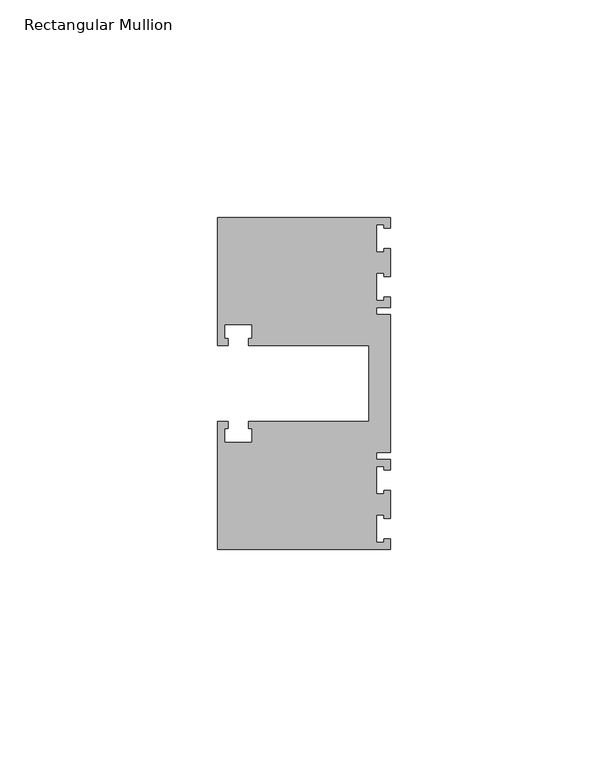
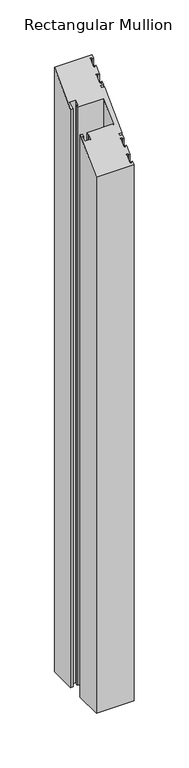
"""IFC4 building model written with IfcOpenShell, lengths in millimetres: member geometry, Rectangular Mullion."""

import ifcopenshell
import ifcopenshell.guid

model = None  # the IFC model being written
_history = None  # IfcOwnerHistory: only IFC2X3 demands one
_inside = {}  # id of a spatial element -> (the spatial element, [elements in it])
_under = {}  # id of a project, library or spatial element -> (it, [spatial elements below it])
_declared = {}  # id of a project -> (the project, [libraries it declares])
_typed = {}  # id of a type object -> (the type object, [elements of that type])
_made_of = {}  # id of a material, layer set ... -> (it, [elements and type objects made of it])


def new_model(schema):
    """Start an empty IFC model of exactly this schema.

    Asked for "IFC4X3", IfcOpenShell would pick the latest addendum, in which some entities
    have other attributes; the version numbers below select the first issue.
    IFC2X3 requires an IfcOwnerHistory on every rooted entity: one is made here for all.
    """
    global model, _history
    if schema == "IFC4X3":
        model = ifcopenshell.file(schema_version=(4, 3, 0, 0))
    else:
        model = ifcopenshell.file(schema=schema)
    _inside.clear()
    _under.clear()
    _declared.clear()
    _typed.clear()
    _made_of.clear()
    _history = None
    if model.schema == "IFC2X3":
        org = make("IfcOrganization", Name="unknown")
        user = make(
            "IfcPersonAndOrganization",
            ThePerson=make("IfcPerson", FamilyName="unknown"),
            TheOrganization=org,
        )
        app = make(
            "IfcApplication",
            ApplicationDeveloper=org,
            Version="unknown",
            ApplicationFullName="unknown",
            ApplicationIdentifier="unknown",
        )
        _history = make(
            "IfcOwnerHistory",
            OwningUser=user,
            OwningApplication=app,
            ChangeAction="ADDED",
            CreationDate=0,
        )
    return model


def make(cls, **values):
    """One entity of the class cls with the attributes given. An attribute that is None is left unset."""
    return model.create_entity(
        cls, **{name: value for name, value in values.items() if value is not None}
    )


def rooted(cls, **values):
    """An entity with a GlobalId (a new one), such as an element, a storey or a relation."""
    return make(cls, GlobalId=ifcopenshell.guid.new(), OwnerHistory=_history, **values)


def si_unit(unit_type, name, prefix=None):
    """IfcSIUnit, for example si_unit("LENGTHUNIT", "METRE", prefix="MILLI")."""
    return make("IfcSIUnit", UnitType=unit_type, Prefix=prefix, Name=name)


def assignment(units):
    """IfcUnitAssignment: the units of a project."""
    return None if units is None else make("IfcUnitAssignment", Units=units)


def point(xyz):
    """IfcCartesianPoint."""
    return None if xyz is None else make("IfcCartesianPoint", Coordinates=xyz)


def direction(xyz):
    """IfcDirection."""
    return None if xyz is None else make("IfcDirection", DirectionRatios=xyz)


def frame(location, z_axis=None, x_axis=None):
    """IfcAxis2Placement3D, a coordinate frame: its origin and axes. An axis left out is left unset."""
    return make(
        "IfcAxis2Placement3D",
        Location=point(location),
        Axis=direction(z_axis),
        RefDirection=direction(x_axis),
    )


def origin():
    """The frame at (0, 0, 0) with its axes left unset."""
    return frame((0.0, 0.0, 0.0))


def place(relative_to, where):
    """IfcLocalPlacement: puts the frame where relative to a parent placement (None: the world)."""
    return make(
        "IfcLocalPlacement", PlacementRelTo=relative_to, RelativePlacement=where
    )


def context(
    kind, dimensions, precision=None, world=None, true_north=None, identifier=None
):
    """IfcGeometricRepresentationContext, for example the 3D "Model" context."""
    return make(
        "IfcGeometricRepresentationContext",
        ContextIdentifier=identifier,
        ContextType=kind,
        CoordinateSpaceDimension=dimensions,
        Precision=precision,
        WorldCoordinateSystem=world,
        TrueNorth=true_north,
    )


def project(units=None, contexts=None):
    """IfcProject with its units and contexts."""
    return rooted(
        "IfcProject",
        Name="project",
        RepresentationContexts=contexts,
        UnitsInContext=assignment(units),
    )


def spatial(cls, under=None, at=None, **own):
    """A site, building, storey or space (cls), placed at a placement, below another one or the project."""
    s = rooted(cls, ObjectPlacement=at, **own)
    if under is not None:
        _under.setdefault(under.id(), (under, []))[1].append(s)
    return s


def faces_of(points, faces, orient=None, outer=None):
    """IfcFace entities. A face is a list of loops; a loop is a list of indices into points, from 0.

    orient and outer hold one flag for each loop. By default every Orientation is true, the
    first loop of a face is its IfcFaceOuterBound and the others are IfcFaceBound.
    """
    made = []
    for i, loops in enumerate(faces):
        bounds = []
        for j, loop in enumerate(loops):
            is_outer = j == 0 if outer is None else outer[i][j]
            bounds.append(
                make(
                    "IfcFaceOuterBound" if is_outer else "IfcFaceBound",
                    Bound=make("IfcPolyLoop", Polygon=[points[k] for k in loop]),
                    Orientation=True if orient is None else orient[i][j],
                )
            )
        made.append(make("IfcFace", Bounds=bounds))
    return made


def faceted_brep(points, faces, orient=None, outer=None, voids=None):
    """IfcFacetedBrep: a solid bounded by flat faces; with voids (closed shells), ...WithVoids."""
    shared = [point(p) for p in points]
    hull = make("IfcClosedShell", CfsFaces=faces_of(shared, faces, orient, outer))
    if voids is None:
        return make("IfcFacetedBrep", Outer=hull)
    return make(
        "IfcFacetedBrepWithVoids",
        Outer=hull,
        Voids=[
            make(cls, CfsFaces=faces_of(shared, fs, o, b)) for cls, fs, o, b in voids
        ],
    )


def shape(context_of_items, identifier, shape_type, items):
    """IfcShapeRepresentation: the items that make up one representation, for example the "Body"."""
    return make(
        "IfcShapeRepresentation",
        ContextOfItems=context_of_items,
        RepresentationIdentifier=identifier,
        RepresentationType=shape_type,
        Items=items,
    )


def source(mapping_origin, context_of_items, identifier, shape_type, items):
    """IfcRepresentationMap: a shape defined once, which mapped items show again and again."""
    return make(
        "IfcRepresentationMap",
        MappingOrigin=mapping_origin,
        MappedRepresentation=shape(context_of_items, identifier, shape_type, items),
    )


def transform(
    local_origin,
    x_axis=None,
    y_axis=None,
    z_axis=None,
    scale=None,
    scale2=None,
    scale3=None,
    uniform=True,
):
    """IfcCartesianTransformationOperator3D, or its non-uniform kind. x_axis, y_axis, z_axis: its Axis1, 2, 3."""
    if uniform:
        return make(
            "IfcCartesianTransformationOperator3D",
            Axis1=direction(x_axis),
            Axis2=direction(y_axis),
            LocalOrigin=point(local_origin),
            Scale=scale,
            Axis3=direction(z_axis),
        )
    return make(
        "IfcCartesianTransformationOperator3DnonUniform",
        Axis1=direction(x_axis),
        Axis2=direction(y_axis),
        LocalOrigin=point(local_origin),
        Scale=scale,
        Axis3=direction(z_axis),
        Scale2=scale2,
        Scale3=scale3,
    )


def mapped(mapping_source, mapping_target):
    """IfcMappedItem: shows the shape of a source again, moved by a transform."""
    return make(
        "IfcMappedItem", MappingSource=mapping_source, MappingTarget=mapping_target
    )


def made_of(thing, what):
    """Note that an element or type object is made of a material, layer set ...; save() writes the relation."""
    if what is not None:
        _made_of.setdefault(what.id(), (what, []))[1].append(thing)
    return thing


def element(
    cls,
    number,
    at=None,
    inside=None,
    cuts=None,
    type_object=None,
    material=None,
    context=None,
    identifier="Body",
    shape_type=None,
    held_by="IfcProductDefinitionShape",
    body=None,
    shapes=None,
    **own,
):
    """One element of the class cls, such as IfcWall. Its Tag is "e" and its number.

    at: its placement. inside: the storey or other place that contains it. cuts: it is an
    opening in that element (IfcRelVoidsElement). A single representation is given by context,
    identifier, shape_type and body (its items); several are given by shapes. held_by: the class
    of the entity that holds the representations. save() writes the other relations.
    """
    e = rooted(cls, Tag="e%d" % number, ObjectPlacement=at, **own)
    if body is not None:
        shapes = [shape(context, identifier, shape_type, body)]
    if shapes is not None:
        e.Representation = make(held_by, Representations=shapes)
    if inside is not None:
        _inside.setdefault(inside.id(), (inside, []))[1].append(e)
    if cuts is not None:
        rooted(
            "IfcRelVoidsElement", RelatingBuildingElement=cuts, RelatedOpeningElement=e
        )
    if type_object is not None:
        _typed.setdefault(type_object.id(), (type_object, []))[1].append(e)
    return made_of(e, material)


def aggregate(whole, parts):
    """IfcRelAggregates: a whole, such as a stair, and the parts it consists of."""
    return rooted("IfcRelAggregates", RelatingObject=whole, RelatedObjects=parts)


def save(model, path):
    """Write the relations noted so far, then the file.

    IfcRelAggregates (storeys below a building ...), IfcRelContainedInSpatialStructure (elements
    in a storey), IfcRelDefinesByType, IfcRelAssociatesMaterial and IfcRelDeclares: one each for
    every whole, place, type object, material and project.
    """
    for whole, parts in _under.values():
        aggregate(whole, parts)
    for where, things in _inside.values():
        rooted(
            "IfcRelContainedInSpatialStructure",
            RelatedElements=things,
            RelatingStructure=where,
        )
    for kind, things in _typed.values():
        rooted("IfcRelDefinesByType", RelatedObjects=things, RelatingType=kind)
    for what, things in _made_of.values():
        rooted("IfcRelAssociatesMaterial", RelatedObjects=things, RelatingMaterial=what)
    for by, libraries in _declared.values():
        rooted("IfcRelDeclares", RelatingContext=by, RelatedDefinitions=libraries)
    model.write(path)


def rectangular_mullion_ec5fbce4(model_context):
    return source(origin(), model_context, "Body", "Brep", [
        faceted_brep([(0.0, 38.1, -635.0), (0.0, 35.71875, -635.0), (-1.4999946, 35.71875, -635.0), (-1.4999946, 36.5125, -635.0), (-3.175, 36.5125, -635.0), (-3.175, 30.1625, -635.0), (-1.4999946, 30.1625, -635.0), (-1.4999946, 30.95625, -635.0), (0.0, 30.95625, -635.0), (0.0, 24.60625, -635.0), (-1.4999946, 24.60625, -635.0), (-1.4999946, 25.4, -635.0), (-3.175, 25.4, -635.0), (-3.175, 19.05, -635.0), (-1.4999946, 19.05, -635.0), (-1.4999946, 19.84375, -635.0), (0.0, 19.84375, -635.0), (0.0, 17.4625, -635.0), (-3.175, 17.4625, -635.0), (-3.175, 15.875, -635.0), (0.0, 15.875, -635.0), (0.0, -15.875, -635.0), (-3.175, -15.875, -635.0), (-3.175, -17.4625, -635.0), (0.0, -17.4625, -635.0), (0.0, -19.84375, -635.0), (-1.4999946, -19.84375, -635.0), (-1.4999946, -19.05, -635.0), (-3.175, -19.05, -635.0), (-3.175, -25.4, -635.0), (-1.4999946, -25.4, -635.0), (-1.4999946, -24.60625, -635.0), (0.0, -24.60625, -635.0), (0.0, -30.95625, -635.0), (-1.4999946, -30.95625, -635.0), (-1.4999946, -30.1625, -635.0), (-3.175, -30.1625, -635.0), (-3.175, -36.5125, -635.0), (-1.4999946, -36.5125, -635.0), (-1.4999946, -35.71875, -635.0), (0.0, -35.71875, -635.0), (0.0, -38.1, -635.0), (-39.6875, -38.1, -635.0), (-39.6875, -8.73125, -635.0), (-37.30625, -8.73125, -635.0), (-37.30625, -10.31875, -635.0), (-38.1, -10.31875, -635.0), (-38.1, -13.49375, -635.0), (-31.75, -13.49375, -635.0), (-31.75, -10.31875, -635.0), (-32.54375, -10.31875, -635.0), (-32.54375, -8.73125, -635.0), (-4.8585733, -8.73125, -635.0), (-4.8585733, 8.73125, -635.0), (-32.54375, 8.73125, -635.0), (-32.54375, 10.31875, -635.0), (-31.75, 10.31875, -635.0), (-31.75, 13.49375, -635.0), (-38.1, 13.49375, -635.0), (-38.1, 10.31875, -635.0), (-37.30625, 10.31875, -635.0), (-37.30625, 8.73125, -635.0), (-39.6875, 8.73125, -635.0), (-39.6875, 38.1, -635.0), (-39.6875, 38.1, 38.1), (0.0, 38.1, 38.1), (-39.6875, 8.73125, 8.73125), (-37.30625, 8.73125, 8.73125), (-37.30625, 10.31875, 10.31875), (-38.1, 10.31875, 10.31875), (-38.1, 13.49375, 13.49375), (-31.75, 13.49375, 13.49375), (-31.75, 10.31875, 10.31875), (-32.54375, 10.31875, 10.31875), (-32.54375, 8.73125, 8.73125), (-4.8585733, 8.73125, 8.73125), (-4.8585733, -8.73125, -8.73125), (-32.54375, -8.73125, -8.73125), (-32.54375, -10.31875, -10.31875), (-31.75, -10.31875, -10.31875), (-31.75, -13.49375, -13.49375), (-38.1, -13.49375, -13.49375), (-38.1, -10.31875, -10.31875), (-37.30625, -10.31875, -10.31875), (-37.30625, -8.73125, -8.73125), (-39.6875, -8.73125, -8.73125), (-39.6875, -38.1, -38.1), (0.0, -38.1, -38.1), (0.0, -35.71875, -35.71875), (-1.4999946, -35.71875, -35.71875), (-1.4999946, -36.5125, -36.5125), (-3.175, -36.5125, -36.5125), (-3.175, -30.1625, -30.1625), (-1.4999946, -30.1625, -30.1625), (-1.4999946, -30.95625, -30.95625), (0.0, -30.95625, -30.95625), (0.0, -24.60625, -24.60625), (-1.4999946, -24.60625, -24.60625), (-1.4999946, -25.4, -25.4), (-3.175, -25.4, -25.4), (-3.175, -19.05, -19.05), (-1.4999946, -19.05, -19.05), (-1.4999946, -19.84375, -19.84375), (0.0, -19.84375, -19.84375), (0.0, -17.4625, -17.4625), (-3.175, -17.4625, -17.4625), (-3.175, -15.875, -15.875), (0.0, -15.875, -15.875), (0.0, 15.875, 15.875), (-3.175, 15.875, 15.875), (-3.175, 17.4625, 17.4625), (0.0, 17.4625, 17.4625), (0.0, 19.84375, 19.84375), (-1.4999946, 19.84375, 19.84375), (-1.4999946, 19.05, 19.05), (-3.175, 19.05, 19.05), (-3.175, 25.4, 25.4), (-1.4999946, 25.4, 25.4), (-1.4999946, 24.60625, 24.60625), (0.0, 24.60625, 24.60625), (0.0, 30.95625, 30.95625), (-1.4999946, 30.95625, 30.95625), (-1.4999946, 30.1625, 30.1625), (-3.175, 30.1625, 30.1625), (-3.175, 36.5125, 36.5125), (-1.4999946, 36.5125, 36.5125), (-1.4999946, 35.71875, 35.71875), (0.0, 35.71875, 35.71875)], [[[0, 1, 2, 3, 4, 5, 6, 7, 8, 9, 10, 11, 12, 13, 14, 15, 16, 17, 18, 19, 20, 21, 22, 23, 24, 25, 26, 27, 28, 29, 30, 31, 32, 33, 34, 35, 36, 37, 38, 39, 40, 41, 42, 43, 44, 45, 46, 47, 48, 49, 50, 51, 52, 53, 54, 55, 56, 57, 58, 59, 60, 61, 62, 63]], [[64, 65, 0, 63]], [[66, 64, 63, 62]], [[67, 66, 62, 61]], [[68, 67, 61, 60]], [[69, 68, 60, 59]], [[70, 69, 59, 58]], [[71, 70, 58, 57]], [[72, 71, 57, 56]], [[73, 72, 56, 55]], [[74, 73, 55, 54]], [[75, 74, 54, 53]], [[76, 75, 53, 52]], [[77, 76, 52, 51]], [[78, 77, 51, 50]], [[79, 78, 50, 49]], [[80, 79, 49, 48]], [[81, 80, 48, 47]], [[82, 81, 47, 46]], [[83, 82, 46, 45]], [[84, 83, 45, 44]], [[85, 84, 44, 43]], [[86, 85, 43, 42]], [[87, 86, 42, 41]], [[88, 87, 41, 40]], [[89, 88, 40, 39]], [[90, 89, 39, 38]], [[91, 90, 38, 37]], [[92, 91, 37, 36]], [[93, 92, 36, 35]], [[94, 93, 35, 34]], [[95, 94, 34, 33]], [[96, 95, 33, 32]], [[97, 96, 32, 31]], [[98, 97, 31, 30]], [[99, 98, 30, 29]], [[100, 99, 29, 28]], [[101, 100, 28, 27]], [[102, 101, 27, 26]], [[103, 102, 26, 25]], [[104, 103, 25, 24]], [[105, 104, 24, 23]], [[106, 105, 23, 22]], [[107, 106, 22, 21]], [[108, 107, 21, 20]], [[109, 108, 20, 19]], [[110, 109, 19, 18]], [[111, 110, 18, 17]], [[112, 111, 17, 16]], [[113, 112, 16, 15]], [[114, 113, 15, 14]], [[115, 114, 14, 13]], [[116, 115, 13, 12]], [[117, 116, 12, 11]], [[118, 117, 11, 10]], [[119, 118, 10, 9]], [[120, 119, 9, 8]], [[121, 120, 8, 7]], [[122, 121, 7, 6]], [[123, 122, 6, 5]], [[124, 123, 5, 4]], [[125, 124, 4, 3]], [[126, 125, 3, 2]], [[127, 126, 2, 1]], [[65, 127, 1, 0]], [[65, 64, 66, 67, 68, 69, 70, 71, 72, 73, 74, 75, 76, 77, 78, 79, 80, 81, 82, 83, 84, 85, 86, 87, 88, 89, 90, 91, 92, 93, 94, 95, 96, 97, 98, 99, 100, 101, 102, 103, 104, 105, 106, 107, 108, 109, 110, 111, 112, 113, 114, 115, 116, 117, 118, 119, 120, 121, 122, 123, 124, 125, 126, 127]]]),
    ])


if __name__ == "__main__":
    model = new_model("IFC4")
    model_context = context("Model", 3, world=origin())
    ifc_project = project(units=[si_unit("LENGTHUNIT", "METRE", prefix="MILLI")], contexts=[model_context])
    site = spatial("IfcSite", under=ifc_project)
    building = spatial("IfcBuilding", under=site)
    placement = place(None, origin())
    rectangular_mullion_shape = rectangular_mullion_ec5fbce4(model_context)
    element("IfcMember", 1, ObjectType="Rectangular Mullion", at=placement, inside=building, context=model_context, shape_type="MappedRepresentation", body=[
        mapped(rectangular_mullion_shape, transform((0.0, 0.0, 0.0), x_axis=(1.0, 0.0, 0.0), y_axis=(0.0, 1.0, 0.0), z_axis=(0.0, 0.0, 1.0))),
    ])
    save(model, "model.ifc")
